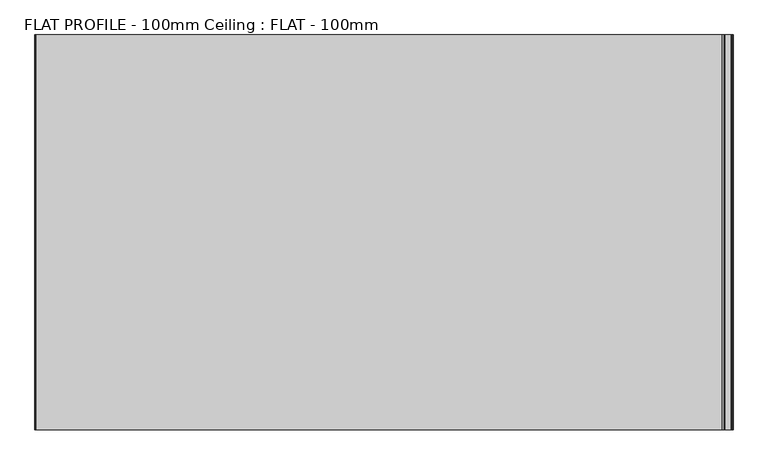
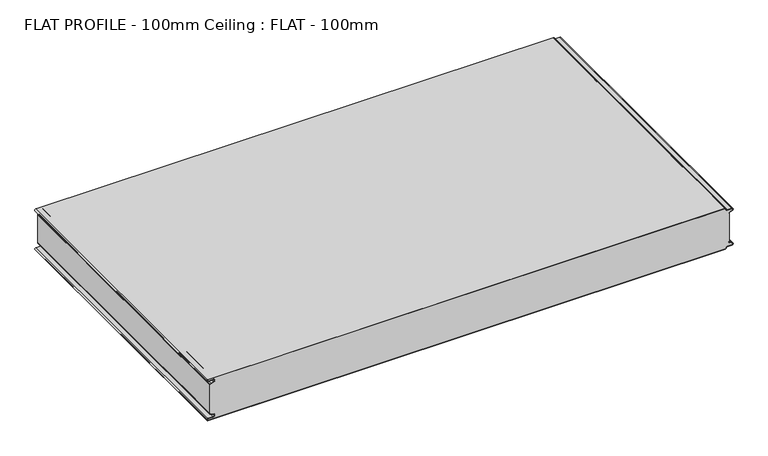
"""IFC4 building model written with IfcOpenShell, lengths in millimetres: proxy geometry, FLAT PROFILE - 100mm Ceiling : FLAT - 100mm."""

from ifc_helpers import new_model, si_unit, point, frame, frame_2d, origin, place, context, project, spatial, polyline, circle_curve, trimmed, segment, composite_curve, outline, extrude, source, transform, mapped, element, save


def flat_profile_100mm_ceiling_flat_100mm_6e50dac7(model_context):
    return source(origin(), model_context, "Body", "SweptSolid", [
        extrude(outline(composite_curve([segment(polyline([(-591.3794419, 36.112897), (-589.3904999, 36.9138857), (-583.8995097, 38.9124426)]), True, "CONTINUOUS"), segment(trimmed(circle_curve(frame_2d((-585.2882153, 42.3376495)), 3.6960175), [point((-583.8995097, 38.9124426))], [point((-584.9273771, 46.0160107))], True, "CARTESIAN"), True, "CONTINUOUS"), segment(polyline([(-584.9273771, 46.0160107), (-597.3733883, 46.0160107)]), True, "CONTINUOUS"), segment(trimmed(circle_curve(frame_2d((-597.4921978, 47.5112981)), 1.5), [point((-597.3733883, 46.0160107))], [point((-597.3084562, 49.0000019))], False, "CARTESIAN"), True, "CONTINUOUS"), segment(polyline([(-597.3084562, 49.0000019), (596.902372, 49.0000019)]), True, "CONTINUOUS"), segment(trimmed(circle_curve(frame_2d((596.9047345, 47.4926459)), 1.5073578), [point((596.902372, 49.0000019))], [point((598.4115951, 47.4539338))], False, "CARTESIAN"), True, "CONTINUOUS"), segment(trimmed(circle_curve(frame_2d((601.9112919, 47.5000019)), 3.5), [point((598.4115951, 47.4539338))], [point((601.9112919, 44.0000019))], True, "CARTESIAN"), True, "CONTINUOUS"), segment(polyline([(601.9112919, 44.0000019), (612.3116271, 44.0000019)]), True, "CONTINUOUS"), segment(trimmed(circle_curve(frame_2d((612.3116271, 41.9000019)), 2.1), [point((612.3116271, 44.0000019))], [point((613.0435993, 39.9316989))], False, "CARTESIAN"), True, "CONTINUOUS"), segment(polyline([(613.0435993, 39.9316989), (610.7828028, 39.1063001), (607.8546835, 37.9154156)]), True, "CONTINUOUS"), segment(trimmed(circle_curve(frame_2d((608.9399875, 35.2468954)), 2.8807786), [point((607.8546835, 37.9154156))], [point((606.0682599, 35.475074))], True, "CARTESIAN"), True, "CONTINUOUS"), segment(polyline([(606.0682599, 35.475074), (606.0107004, 34.2522232), (607.0118076, 34.2522232), (607.0118076, -34.2522195), (606.0107004, -34.2522195), (606.0682599, -35.4750703)]), True, "CONTINUOUS"), segment(trimmed(circle_curve(frame_2d((608.9399875, -35.2468916)), 2.8807786), [point((606.0682599, -35.4750703))], [point((607.8546835, -37.9154119))], True, "CARTESIAN"), True, "CONTINUOUS"), segment(polyline([(607.8546835, -37.9154119), (610.7828028, -39.1062964), (613.0435993, -39.9316951)]), True, "CONTINUOUS"), segment(trimmed(circle_curve(frame_2d((612.3116271, -41.8999981)), 2.1), [point((613.0435993, -39.9316951))], [point((612.3116271, -43.9999981))], False, "CARTESIAN"), True, "CONTINUOUS"), segment(polyline([(612.3116271, -43.9999981), (601.9112919, -43.9999981)]), True, "CONTINUOUS"), segment(trimmed(circle_curve(frame_2d((601.9112919, -47.4999981)), 3.5), [point((601.9112919, -43.9999981))], [point((598.4115951, -47.45393))], True, "CARTESIAN"), True, "CONTINUOUS"), segment(trimmed(circle_curve(frame_2d((596.9047345, -47.4926422)), 1.5073578), [point((598.4115951, -47.45393))], [point((596.902372, -48.9999981))], False, "CARTESIAN"), True, "CONTINUOUS"), segment(polyline([(596.902372, -48.9999981), (-597.3084562, -48.9999981)]), True, "CONTINUOUS"), segment(trimmed(circle_curve(frame_2d((-597.4921978, -47.5112943)), 1.5), [point((-597.3084562, -48.9999981))], [point((-597.3733883, -46.016007))], False, "CARTESIAN"), True, "CONTINUOUS"), segment(polyline([(-597.3733883, -46.016007), (-584.9273771, -46.016007)]), True, "CONTINUOUS"), segment(trimmed(circle_curve(frame_2d((-585.2882153, -42.3376458)), 3.6960175), [point((-584.9273771, -46.016007))], [point((-583.8995097, -38.9124389))], True, "CARTESIAN"), True, "CONTINUOUS"), segment(polyline([(-583.8995097, -38.9124389), (-589.3904999, -36.9138819), (-591.3794419, -36.1128932)]), True, "CONTINUOUS"), segment(trimmed(circle_curve(frame_2d((-591.0050311, -35.1831907)), 1.0022625), [point((-591.3794419, -36.1128932))], [point((-591.9881924, -35.3779319))], False, "CARTESIAN"), True, "CONTINUOUS"), segment(polyline([(-591.9881924, -35.3779319), (-591.9881924, -34.2522213), (-592.9881924, -34.2522213), (-592.9881924, 34.2522214), (-591.9881924, 34.2522214), (-591.9881924, 35.3779357)]), True, "CONTINUOUS"), segment(trimmed(circle_curve(frame_2d((-591.0050311, 35.1831944)), 1.0022625), [point((-591.9881924, 35.3779357))], [point((-591.3794419, 36.112897))], False, "CARTESIAN"), True, "CONTINUOUS")], self_intersect=False)), frame((0.0, 1812.4999886, 2499.9999963), z_axis=(0.0, 1.0, 6.810226077570728e-10), x_axis=(1.0, 0.0, 0.0)), (0.0, 0.0, 1.0), 687.5000116),
        extrude(outline(composite_curve([segment(trimmed(circle_curve(frame_2d((-591.0050311, 35.1831926)), 1.0022625), [point((-591.3794419, 36.1128951))], [point((-591.9881924, 35.3779338))], True, "CARTESIAN"), True, "CONTINUOUS"), segment(polyline([(-591.9881924, 35.3779338), (-591.9881924, 34.2522195), (-592.9881924, 34.2522195), (-592.9881924, 35.4591033)]), True, "CONTINUOUS"), segment(trimmed(circle_curve(frame_2d((-591.0050311, 35.1831926)), 2.0022625), [point((-592.9881924, 35.4591033))], [point((-591.7530074, 37.0404989))], False, "CARTESIAN"), True, "CONTINUOUS"), segment(polyline([(-591.7530074, 37.0404989), (-589.7483949, 37.8477985), (-584.2598383, 39.8454697)]), True, "CONTINUOUS"), segment(trimmed(circle_curve(frame_2d((-585.2882153, 42.3376477)), 2.6960175), [point((-584.2598383, 39.8454697))], [point((-584.9801705, 45.0160089))], True, "CARTESIAN"), True, "CONTINUOUS"), segment(polyline([(-584.9801705, 45.0160089), (-597.3387672, 45.0160089)]), True, "CONTINUOUS"), segment(trimmed(circle_curve(frame_2d((-597.4921978, 47.5112962)), 2.5), [point((-597.3387672, 45.0160089))], [point((-597.2548091, 50.0))], False, "CARTESIAN"), True, "CONTINUOUS"), segment(polyline([(-597.2548091, 50.0), (596.9016875, 50.0)]), True, "CONTINUOUS"), segment(trimmed(circle_curve(frame_2d((596.9047345, 47.4926441)), 2.5073578), [point((596.9016875, 50.0))], [point((599.4117582, 47.4517157))], False, "CARTESIAN"), True, "CONTINUOUS"), segment(trimmed(circle_curve(frame_2d((601.9112919, 47.5)), 2.5), [point((599.4117582, 47.4517157))], [point((601.9112919, 45.0))], True, "CARTESIAN"), True, "CONTINUOUS"), segment(polyline([(601.9112919, 45.0), (612.3116271, 45.0)]), True, "CONTINUOUS"), segment(trimmed(circle_curve(frame_2d((612.3116271, 41.9)), 3.1), [point((612.3116271, 45.0))], [point((613.3890842, 38.9932688))], False, "CARTESIAN"), True, "CONTINUOUS"), segment(polyline([(613.3890842, 38.9932688), (611.1427659, 38.173156), (608.2411829, 37.054925)]), True, "CONTINUOUS"), segment(trimmed(circle_curve(frame_2d((609.0514567, 35.1592648)), 2.0615701), [point((608.2411829, 37.054925))], [point((607.0118076, 35.4591033))], True, "CARTESIAN"), True, "CONTINUOUS"), segment(polyline([(607.0118076, 35.4591033), (607.0118076, 34.2522214), (606.0107004, 34.2522214), (606.0682599, 35.4750722)]), True, "CONTINUOUS"), segment(trimmed(circle_curve(frame_2d((608.9399875, 35.2468935)), 2.8807786), [point((606.0682599, 35.4750722))], [point((607.8546835, 37.9154137))], False, "CARTESIAN"), True, "CONTINUOUS"), segment(polyline([(607.8546835, 37.9154137), (610.7828028, 39.1062983), (613.0435993, 39.931697)]), True, "CONTINUOUS"), segment(trimmed(circle_curve(frame_2d((612.3116271, 41.9)), 2.1), [point((613.0435993, 39.931697))], [point((612.3116271, 44.0))], True, "CARTESIAN"), True, "CONTINUOUS"), segment(polyline([(612.3116271, 44.0), (601.9112919, 44.0)]), True, "CONTINUOUS"), segment(trimmed(circle_curve(frame_2d((601.9112919, 47.5)), 3.5), [point((601.9112919, 44.0))], [point((598.4115951, 47.4539319))], False, "CARTESIAN"), True, "CONTINUOUS"), segment(trimmed(circle_curve(frame_2d((596.9047345, 47.4926441)), 1.5073578), [point((598.4115951, 47.4539319))], [point((596.902372, 49.0))], True, "CARTESIAN"), True, "CONTINUOUS"), segment(polyline([(596.902372, 49.0), (-597.3084562, 49.0)]), True, "CONTINUOUS"), segment(trimmed(circle_curve(frame_2d((-597.4921978, 47.5112962)), 1.5), [point((-597.3084562, 49.0))], [point((-597.3733883, 46.0160089))], True, "CARTESIAN"), True, "CONTINUOUS"), segment(polyline([(-597.3733883, 46.0160089), (-584.9273771, 46.0160089)]), True, "CONTINUOUS"), segment(trimmed(circle_curve(frame_2d((-585.2882153, 42.3376477)), 3.6960175), [point((-584.9273771, 46.0160089))], [point((-583.8995097, 38.9124408))], False, "CARTESIAN"), True, "CONTINUOUS"), segment(polyline([(-583.8995097, 38.9124408), (-589.3904999, 36.9138838), (-591.3794419, 36.1128951)]), True, "CONTINUOUS")], self_intersect=False)), frame((0.0, 1812.4999869, 2500.0000097), z_axis=(0.0, 1.0, 6.810226077570728e-10), x_axis=(1.0, 0.0, 0.0)), (0.0, 0.0, 1.0), 687.5000116),
        extrude(outline(composite_curve([segment(polyline([(-591.3794419, -36.1128951), (-589.3904999, -36.9138838), (-583.8995097, -38.9124407)]), True, "CONTINUOUS"), segment(trimmed(circle_curve(frame_2d((-585.2882153, -42.3376476)), 3.6960175), [point((-583.8995097, -38.9124407))], [point((-584.9273771, -46.0160088))], False, "CARTESIAN"), True, "CONTINUOUS"), segment(polyline([(-584.9273771, -46.0160088), (-597.3733883, -46.0160088)]), True, "CONTINUOUS"), segment(trimmed(circle_curve(frame_2d((-597.4921978, -47.5112962)), 1.5), [point((-597.3733883, -46.0160088))], [point((-597.3084562, -49.0))], True, "CARTESIAN"), True, "CONTINUOUS"), segment(polyline([(-597.3084562, -49.0), (596.902372, -49.0)]), True, "CONTINUOUS"), segment(trimmed(circle_curve(frame_2d((596.9047345, -47.492644)), 1.5073578), [point((596.902372, -49.0))], [point((598.4115951, -47.4539319))], True, "CARTESIAN"), True, "CONTINUOUS"), segment(trimmed(circle_curve(frame_2d((601.9112919, -47.5)), 3.5), [point((598.4115951, -47.4539319))], [point((601.9112919, -44.0))], False, "CARTESIAN"), True, "CONTINUOUS"), segment(polyline([(601.9112919, -44.0), (612.3116271, -44.0)]), True, "CONTINUOUS"), segment(trimmed(circle_curve(frame_2d((612.3116271, -41.9)), 2.1), [point((612.3116271, -44.0))], [point((613.0435993, -39.931697))], True, "CARTESIAN"), True, "CONTINUOUS"), segment(polyline([(613.0435993, -39.931697), (610.7828028, -39.1062982), (607.8546835, -37.9154137)]), True, "CONTINUOUS"), segment(trimmed(circle_curve(frame_2d((608.9399875, -35.2468935)), 2.8807786), [point((607.8546835, -37.9154137))], [point((606.0682599, -35.4750721))], False, "CARTESIAN"), True, "CONTINUOUS"), segment(polyline([(606.0682599, -35.4750721), (606.0107004, -34.2522214), (607.0118076, -34.2522214), (607.0118076, -35.4591033)]), True, "CONTINUOUS"), segment(trimmed(circle_curve(frame_2d((609.0514567, -35.1592647)), 2.0615701), [point((607.0118076, -35.4591033))], [point((608.2411829, -37.054925))], True, "CARTESIAN"), True, "CONTINUOUS"), segment(polyline([(608.2411829, -37.054925), (611.1427659, -38.173156), (613.3890842, -38.9932688)]), True, "CONTINUOUS"), segment(trimmed(circle_curve(frame_2d((612.3116271, -41.9)), 3.1), [point((613.3890842, -38.9932688))], [point((612.3116271, -45.0))], False, "CARTESIAN"), True, "CONTINUOUS"), segment(polyline([(612.3116271, -45.0), (601.9112919, -45.0)]), True, "CONTINUOUS"), segment(trimmed(circle_curve(frame_2d((601.9112919, -47.5)), 2.5), [point((601.9112919, -45.0))], [point((599.4117582, -47.4517157))], True, "CARTESIAN"), True, "CONTINUOUS"), segment(trimmed(circle_curve(frame_2d((596.9047345, -47.492644)), 2.5073578), [point((599.4117582, -47.4517157))], [point((596.9016875, -50.0))], False, "CARTESIAN"), True, "CONTINUOUS"), segment(polyline([(596.9016875, -50.0), (-597.2548091, -50.0)]), True, "CONTINUOUS"), segment(trimmed(circle_curve(frame_2d((-597.4921978, -47.5112962)), 2.5), [point((-597.2548091, -50.0))], [point((-597.3387672, -45.0160088))], False, "CARTESIAN"), True, "CONTINUOUS"), segment(polyline([(-597.3387672, -45.0160088), (-584.9801705, -45.0160088)]), True, "CONTINUOUS"), segment(trimmed(circle_curve(frame_2d((-585.2882153, -42.3376476)), 2.6960175), [point((-584.9801705, -45.0160088))], [point((-584.2598383, -39.8454696))], True, "CARTESIAN"), True, "CONTINUOUS"), segment(polyline([(-584.2598383, -39.8454696), (-589.7483949, -37.8477984), (-591.7530074, -37.0404988)]), True, "CONTINUOUS"), segment(trimmed(circle_curve(frame_2d((-591.0050311, -35.1831925)), 2.0022625), [point((-591.7530074, -37.0404988))], [point((-592.9881924, -35.4591033))], False, "CARTESIAN"), True, "CONTINUOUS"), segment(polyline([(-592.9881924, -35.4591033), (-592.9881924, -34.2522195), (-591.9881924, -34.2522195), (-591.9881924, -35.3779338)]), True, "CONTINUOUS"), segment(trimmed(circle_curve(frame_2d((-591.0050311, -35.1831925)), 1.0022625), [point((-591.9881924, -35.3779338))], [point((-591.3794419, -36.1128951))], True, "CARTESIAN"), True, "CONTINUOUS")], self_intersect=False)), frame((0.0, 1812.4999869, 2500.0000097), z_axis=(0.0, 1.0, 6.810226077570728e-10), x_axis=(1.0, 0.0, 0.0)), (0.0, 0.0, 1.0), 687.5000116),
    ])


if __name__ == "__main__":
    model = new_model("IFC4")
    model_context = context("Model", 3, world=origin())
    ifc_project = project(units=[si_unit("LENGTHUNIT", "METRE", prefix="MILLI")], contexts=[model_context])
    site = spatial("IfcSite", under=ifc_project)
    building = spatial("IfcBuilding", under=site)
    placement = place(None, origin())
    flat_profile_100mm_ceiling_flat_100mm_shape = flat_profile_100mm_ceiling_flat_100mm_6e50dac7(model_context)
    element("IfcBuildingElementProxy", 1, Name="FLAT PROFILE - 100mm Ceiling : FLAT - 100mm", ObjectType="FLAT PROFILE - 100mm Ceiling : FLAT - 100mm", at=placement, inside=building, context=model_context, shape_type="MappedRepresentation", body=[
        mapped(flat_profile_100mm_ceiling_flat_100mm_shape, transform((0.0, 0.0, 0.0), x_axis=(1.0, 0.0, 0.0), y_axis=(0.0, 1.0, 0.0), z_axis=(0.0, 0.0, 1.0))),
    ])
    save(model, "model.ifc")
